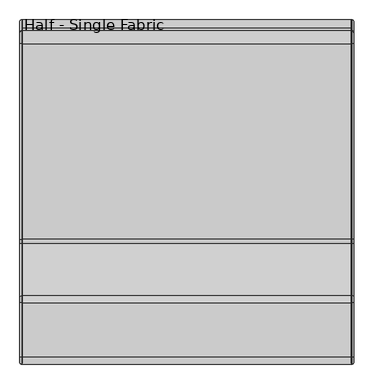
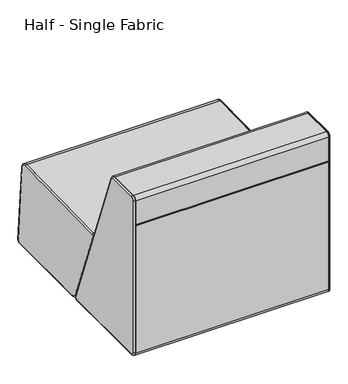
"""IFC4 building model written with IfcOpenShell, lengths in millimetres: furniture geometry, Half - Single Fabric."""

from ifc_helpers import new_model, si_unit, point, frame, frame_2d, origin, place, context, project, spatial, polyline, circle_curve, ellipse_curve, trimmed, segment, composite_curve, outline, extrude, source, transform, mapped, element, save
from ifc_brep_helpers import plane_surface, cylinder_surface, revolved_surface, advanced_brep


def half_single_fabric_5b045e94(model_context):
    return source(origin(), model_context, "Body", "SolidModel", [
        advanced_brep(
        [(839.1510266, 314.9526545, 414.2158586), (837.9447146, 314.9526545, 414.2158586), (837.9447146, 304.5197385, 398.7021703), (839.1510266, 304.5197385, 398.7021703), (844.2947146, 309.3234931, 400.5410474), (844.2947146, 315.0614252, 409.0733208), (839.1510266, 809.5215301, 424.6765705), (837.9447146, 809.5215301, 424.6765705), (844.2947146, 809.6303008, 419.5340326), (839.1510266, 841.8415436, 395.4689681), (837.9447146, 841.8415436, 395.4689681), (844.2947146, 836.7142807, 395.0582348), (839.1510266, 869.3709462, 51.8141192), (837.9447146, 869.3709462, 51.8141192), (844.2947146, 864.2436833, 51.4033859), (839.1510266, 856.7115006, 38.1), (837.9447146, 856.7115006, 38.1), (844.2947146, 856.7115006, 43.2436881), (839.1510266, 464.4011038, 38.1), (837.9447146, 464.4011038, 38.1), (844.2947146, 464.4011038, 43.2436881), (839.1510266, 434.7493822, 58.4993215), (837.9447146, 434.7493822, 58.4993215), (844.2947146, 439.5531367, 60.3381987)],
        [
            (0, 1),
            (1, 2, circle_curve(frame((837.9447146, 315.1943583, 402.7884145), z_axis=(1.0, 0.0, 0.0), x_axis=(0.0, -0.933912493810332, -0.35750168377920466)), 11.43)),
            (2, 3),
            (3, 0, circle_curve(frame((839.1510266, 315.1943583, 402.7884145), z_axis=(-1.0, 0.0, 0.0), x_axis=(0.0, -0.933912493810332, -0.35750168377920466)), 11.43)),
            (3, 4, circle_curve(frame((839.1510266, 309.3234931, 400.5410474), z_axis=(0.0, -0.35750168377920477, 0.933912493810332), x_axis=(-1.0, 0.0, 0.0)), 5.1436881)),
            (4, 5, circle_curve(frame((844.2947146, 315.1943583, 402.7884145), z_axis=(-1.0, 0.0, 0.0), x_axis=(0.0, -0.933912493810332, -0.35750168377920466)), 6.2863119)),
            (5, 0, circle_curve(frame((839.1510266, 315.0614252, 409.0733208), z_axis=(0.0, -0.9997763889644171, -0.021146443418939453), x_axis=(-1.0, 0.0, 0.0)), 5.1436881)),
            (0, 6),
            (6, 7),
            (7, 1),
            (5, 8),
            (8, 6, circle_curve(frame((839.1510266, 809.6303008, 419.5340326), z_axis=(0.0, -0.9997763889644175, -0.02114644341893418), x_axis=(-1.0, 0.0, 0.0)), 5.1436881)),
            (6, 9, circle_curve(frame((839.1510266, 810.1929297, 392.9336702), z_axis=(-1.0, 0.0, 0.0), x_axis=(0.0, -0.02114644341893813, 0.9997763889644172)), 31.75)),
            (9, 10),
            (10, 7, circle_curve(frame((837.9447146, 810.1929297, 392.9336702), z_axis=(1.0, 0.0, 0.0), x_axis=(0.0, -0.02114644341893813, 0.9997763889644172)), 31.75)),
            (8, 11, circle_curve(frame((844.2947146, 810.1929297, 392.9336702), z_axis=(-1.0, 0.0, 0.0), x_axis=(0.0, -0.02114644341893813, 0.9997763889644172)), 26.6063119)),
            (11, 9, circle_curve(frame((839.1510266, 836.7142807, 395.0582348), z_axis=(0.0, -0.07985190397493747, 0.9968067382555044), x_axis=(-1.0, 0.0, 0.0)), 5.1436881)),
            (9, 12),
            (12, 13),
            (13, 10),
            (11, 14),
            (14, 12, circle_curve(frame((839.1510266, 864.2436833, 51.4033859), z_axis=(0.0, -0.07985190397492817, 0.9968067382555051), x_axis=(-1.0, 0.0, 0.0)), 5.1436881)),
            (12, 15, circle_curve(frame((839.1510266, 856.7115006, 50.8), z_axis=(-1.0, 0.0, 0.0), x_axis=(0.0, 0.9968067382555038, 0.07985190397494248)), 12.7)),
            (15, 16),
            (16, 13, circle_curve(frame((837.9447146, 856.7115006, 50.8), z_axis=(1.0, 0.0, 0.0), x_axis=(0.0, 0.9968067382555038, 0.07985190397494248)), 12.7)),
            (14, 17, circle_curve(frame((844.2947146, 856.7115006, 50.8), z_axis=(-1.0, 0.0, 0.0), x_axis=(0.0, 0.9968067382555038, 0.07985190397494248)), 7.5563119)),
            (17, 15, circle_curve(frame((839.1510266, 856.7115006, 43.2436881), z_axis=(0.0, 0.9999999999999999, 0.0), x_axis=(-1.0, 0.0, 0.0)), 5.1436881)),
            (15, 18),
            (18, 19),
            (19, 16),
            (17, 20),
            (20, 18, circle_curve(frame((839.1510266, 464.4011038, 43.2436881), z_axis=(0.0, 1.0, 0.0), x_axis=(-1.0, 0.0, 0.0)), 5.1436881)),
            (18, 21, circle_curve(frame((839.1510266, 464.4011038, 69.85), z_axis=(-1.0, 0.0, 0.0), x_axis=(0.0, 0.0, -1.0)), 31.75)),
            (21, 22),
            (22, 19, circle_curve(frame((837.9447146, 464.4011038, 69.85), z_axis=(1.0, 0.0, 0.0), x_axis=(0.0, 0.0, -1.0)), 31.75)),
            (20, 23, circle_curve(frame((844.2947146, 464.4011038, 69.85), z_axis=(-1.0, 0.0, 0.0), x_axis=(0.0, 0.0, -1.0)), 26.6063119)),
            (23, 21, circle_curve(frame((839.1510266, 439.5531367, 60.3381987), z_axis=(0.0, 0.35750168377919217, -0.9339124938103369), x_axis=(-1.0, 0.0, 0.0)), 5.1436881)),
            (22, 2),
            (21, 3),
            (23, 4),
        ],
        [
            cylinder_surface(frame((837.9447146, 315.1943583, 402.7884145), z_axis=(1.0, 0.0, 0.0), x_axis=(0.0, -0.933912493810332, -0.35750168377920466)), 11.43),
            revolved_surface(trimmed(ellipse_curve(frame((839.1510266, 309.3234931, 400.5410474), z_axis=(0.0, -0.35750168377920477, 0.933912493810332), x_axis=(-1.0, 0.0, 0.0)), 5.1436881, 5.1436881), [point((839.1510266, 304.5197385, 398.7021703))], [point((844.2947146, 309.3234931, 400.5410474))], True, "CARTESIAN"), (837.9447146, 315.1943583, 402.7884145), (1.0, 0.0, 0.0)),
            plane_surface(frame((837.9447146, 314.9526545, 414.2158586), z_axis=(0.0, -0.02114644341893413, 0.9997763889644173), x_axis=(0.0, 0.9997763889644173, 0.02114644341893413))),
            cylinder_surface(frame((839.1510266, 315.0614252, 409.0733208), z_axis=(0.0, -0.9997763889644175, -0.02114644341893418), x_axis=(-1.0, 0.0, 0.0)), 5.1436881),
            cylinder_surface(frame((837.9447146, 810.1929297, 392.9336702), z_axis=(1.0, 0.0, 0.0), x_axis=(0.0, -0.02114644341893813, 0.9997763889644172)), 31.75),
            revolved_surface(trimmed(ellipse_curve(frame((839.1510266, 809.6303008, 419.5340326), z_axis=(0.0, 0.9997763889644172, 0.021146443418938222), x_axis=(-1.0, 0.0, 0.0)), 5.1436881, 5.1436881), [point((839.1510266, 809.5215301, 424.6765705))], [point((844.2947146, 809.6303008, 419.5340326))], True, "CARTESIAN"), (837.9447146, 810.1929297, 392.9336702), (1.0, 0.0, 0.0)),
            plane_surface(frame((837.9447146, 841.8415436, 395.4689681), z_axis=(0.0, 0.996806738255505, 0.07985190397492804), x_axis=(0.0, 0.07985190397492804, -0.996806738255505))),
            cylinder_surface(frame((839.1510266, 836.7142807, 395.0582348), z_axis=(0.0, -0.07985190397492817, 0.9968067382555051), x_axis=(-1.0, 0.0, 0.0)), 5.1436881),
            cylinder_surface(frame((837.9447146, 856.7115006, 50.8), z_axis=(1.0, 0.0, 0.0), x_axis=(0.0, 0.9968067382555038, 0.07985190397494248)), 12.7),
            revolved_surface(trimmed(ellipse_curve(frame((839.1510266, 864.2436833, 51.4033859), z_axis=(0.0, 0.07985190397494259, -0.9968067382555038), x_axis=(-1.0, 0.0, 0.0)), 5.1436881, 5.1436881), [point((839.1510266, 869.3709462, 51.8141192))], [point((844.2947146, 864.2436833, 51.4033859))], True, "CARTESIAN"), (837.9447146, 856.7115006, 50.8), (1.0, 0.0, 0.0)),
            plane_surface(frame((837.9447146, 856.7115006, 38.1), z_axis=(0.0, 0.0, -1.0), x_axis=(0.0, -1.0, 0.0))),
            cylinder_surface(frame((839.1510266, 856.7115006, 43.2436881), z_axis=(0.0, 1.0, 0.0), x_axis=(-1.0, 0.0, 0.0)), 5.1436881),
            cylinder_surface(frame((837.9447146, 464.4011038, 69.85), z_axis=(1.0, 0.0, 0.0), x_axis=(0.0, 0.0, -1.0)), 31.75),
            revolved_surface(trimmed(ellipse_curve(frame((839.1510266, 464.4011038, 43.2436881), z_axis=(0.0, -1.0, 0.0), x_axis=(-1.0, 0.0, 0.0)), 5.1436881, 5.1436881), [point((839.1510266, 464.4011038, 38.1))], [point((844.2947146, 464.4011038, 43.2436881))], True, "CARTESIAN"), (837.9447146, 464.4011038, 69.85), (1.0, 0.0, 0.0)),
            plane_surface(frame((837.9447146, 440.6797265, 60.7694572), z_axis=(-1.0, 0.0, 0.0), x_axis=(0.0, -0.3575016837791921, 0.9339124938103369))),
            plane_surface(frame((837.9447146, 434.7493822, 58.4993215), z_axis=(0.0, -0.9339124938103369, -0.3575016837791922), x_axis=(0.0, -0.3575016837791922, 0.9339124938103369))),
            cylinder_surface(frame((839.1510266, 439.5531367, 60.3381987), z_axis=(0.0, 0.3575016837791923, -0.9339124938103369), x_axis=(-1.0, 0.0, 0.0)), 5.1436881),
            plane_surface(frame((844.2947146, 439.5531367, 60.3381987), z_axis=(1.0, 0.0, 0.0), x_axis=(0.0, -0.3575016837791921, 0.9339124938103369))),
        ],
        [
            (0, [[1, 2, 3, 4]]),
            (1, [[5, 6, 7, -4]]),
            (2, [[8, 9, 10, -1]]),
            (3, [[11, 12, -8, -7]]),
            (4, [[13, 14, 15, -9]]),
            (5, [[16, 17, -13, -12]]),
            (6, [[18, 19, 20, -14]]),
            (7, [[21, 22, -18, -17]]),
            (8, [[23, 24, 25, -19]]),
            (9, [[26, 27, -23, -22]]),
            (10, [[28, 29, 30, -24]]),
            (11, [[31, 32, -28, -27]]),
            (12, [[33, 34, 35, -29]]),
            (13, [[36, 37, -33, -32]]),
            (14, [[-10, -15, -20, -25, -30, -35, 38, -2]]),
            (15, [[-38, -34, 39, -3]]),
            (16, [[-39, -37, 40, -5]]),
            (17, [[-40, -36, -31, -26, -21, -16, -11, -6]]),
        ],
    ),
        advanced_brep(
        [(839.1510266, 17.018, 765.683), (837.9447146, 17.018, 765.683), (837.9447146, 0.0, 748.665), (839.1510266, 0.0, 748.665), (844.2947146, 5.1436881, 748.665), (844.2947146, 17.018, 760.5393119), (839.1510266, 155.2745791, 765.683), (837.9447146, 155.2745791, 765.683), (844.2947146, 155.2745791, 760.5393119), (839.1510266, 173.0792475, 753.4076796), (837.9447146, 173.0792475, 753.4076796), (844.2947146, 168.2718112, 751.5784492), (839.1510266, 438.7030878, 55.3164531), (837.9447146, 438.7030878, 55.3164531), (844.2947146, 433.8956515, 53.4872227), (839.1510266, 426.8333088, 38.1), (837.9447146, 426.8333088, 38.1), (844.2947146, 426.8333088, 43.2436881), (839.1510266, 19.05, 38.1), (837.9447146, 19.05, 38.1), (844.2947146, 19.05, 43.2436881), (839.1510266, 0.0, 57.15), (837.9447146, 0.0, 57.15), (844.2947146, 5.1436881, 57.15)],
        [
            (0, 1),
            (1, 2, circle_curve(frame((837.9447146, 17.018, 748.665), z_axis=(1.0, 0.0, 0.0), x_axis=(0.0, -1.0, 0.0)), 17.018)),
            (2, 3),
            (3, 0, circle_curve(frame((839.1510266, 17.018, 748.665), z_axis=(-1.0, 0.0, 0.0), x_axis=(0.0, -1.0, 0.0)), 17.018)),
            (3, 4, circle_curve(frame((839.1510266, 5.1436881, 748.665), z_axis=(0.0, 0.0, 1.0), x_axis=(-1.0, 0.0, 0.0)), 5.1436881)),
            (4, 5, circle_curve(frame((844.2947146, 17.018, 748.665), z_axis=(-1.0, 0.0, 0.0), x_axis=(0.0, -1.0, 0.0)), 11.8743119)),
            (5, 0, circle_curve(frame((839.1510266, 17.018, 760.5393119), z_axis=(0.0, -1.0, 0.0), x_axis=(-1.0, 0.0, 0.0)), 5.1436881)),
            (0, 6),
            (6, 7),
            (7, 1),
            (5, 8),
            (8, 6, circle_curve(frame((839.1510266, 155.2745791, 760.5393119), z_axis=(0.0, -1.0, 0.0), x_axis=(-1.0, 0.0, 0.0)), 5.1436881)),
            (6, 9, circle_curve(frame((839.1510266, 155.2745791, 746.633), z_axis=(-1.0, 0.0, 0.0), x_axis=(0.0, 0.0, 1.0)), 19.05)),
            (9, 10),
            (10, 7, circle_curve(frame((837.9447146, 155.2745791, 746.633), z_axis=(1.0, 0.0, 0.0), x_axis=(0.0, 0.0, 1.0)), 19.05)),
            (8, 11, circle_curve(frame((844.2947146, 155.2745791, 746.633), z_axis=(-1.0, 0.0, 0.0), x_axis=(0.0, 0.0, 1.0)), 13.9063119)),
            (11, 9, circle_curve(frame((839.1510266, 168.2718112, 751.5784492), z_axis=(0.0, -0.355626225753316, 0.9346282616936273), x_axis=(-1.0, 0.0, 0.0)), 5.1436881)),
            (9, 12),
            (12, 13),
            (13, 10),
            (11, 14),
            (14, 12, circle_curve(frame((839.1510266, 433.8956515, 53.4872227), z_axis=(0.0, -0.3556262257533026, 0.9346282616936324), x_axis=(-1.0, 0.0, 0.0)), 5.1436881)),
            (12, 15, circle_curve(frame((839.1510266, 426.8333088, 50.8), z_axis=(-1.0, 0.0, 0.0), x_axis=(0.0, 0.9346282616936246, 0.35562622575332314)), 12.7)),
            (15, 16),
            (16, 13, circle_curve(frame((837.9447146, 426.8333088, 50.8), z_axis=(1.0, 0.0, 0.0), x_axis=(0.0, 0.9346282616936246, 0.35562622575332314)), 12.7)),
            (14, 17, circle_curve(frame((844.2947146, 426.8333088, 50.8), z_axis=(-1.0, 0.0, 0.0), x_axis=(0.0, 0.9346282616936246, 0.35562622575332314)), 7.5563119)),
            (17, 15, circle_curve(frame((839.1510266, 426.8333088, 43.2436881), z_axis=(0.0, 0.9999999999999999, 0.0), x_axis=(-1.0, 0.0, 0.0)), 5.1436881)),
            (15, 18),
            (18, 19),
            (19, 16),
            (17, 20),
            (20, 18, circle_curve(frame((839.1510266, 19.05, 43.2436881), z_axis=(0.0, 1.0, 0.0), x_axis=(-1.0, 0.0, 0.0)), 5.1436881)),
            (18, 21, circle_curve(frame((839.1510266, 19.05, 57.15), z_axis=(-1.0, 0.0, 0.0), x_axis=(0.0, 0.0, -1.0)), 19.05)),
            (21, 22),
            (22, 19, circle_curve(frame((837.9447146, 19.05, 57.15), z_axis=(1.0, 0.0, 0.0), x_axis=(0.0, 0.0, -1.0)), 19.05)),
            (20, 23, circle_curve(frame((844.2947146, 19.05, 57.15), z_axis=(-1.0, 0.0, 0.0), x_axis=(0.0, 0.0, -1.0)), 13.9063119)),
            (23, 21, circle_curve(frame((839.1510266, 5.1436881, 57.15), z_axis=(0.0, 0.0, -1.0), x_axis=(-1.0, 0.0, 0.0)), 5.1436881)),
            (22, 2),
            (21, 3),
            (23, 4),
        ],
        [
            cylinder_surface(frame((837.9447146, 17.018, 748.665), z_axis=(1.0, 0.0, 0.0), x_axis=(0.0, -1.0, 0.0)), 17.018),
            revolved_surface(trimmed(ellipse_curve(frame((839.1510266, 5.1436881, 748.665), z_axis=(0.0, 0.0, 1.0), x_axis=(-1.0, 0.0, 0.0)), 5.1436881, 5.1436881), [point((839.1510266, 0.0, 748.665))], [point((844.2947146, 5.1436881, 748.665))], True, "CARTESIAN"), (837.9447146, 17.018, 748.665), (1.0, 0.0, 0.0)),
            plane_surface(frame((837.9447146, 17.018, 765.683), z_axis=(0.0, 0.0, 1.0), x_axis=(0.0, 1.0, 0.0))),
            cylinder_surface(frame((839.1510266, 17.018, 760.5393119), z_axis=(0.0, -1.0, 0.0), x_axis=(-1.0, 0.0, 0.0)), 5.1436881),
            cylinder_surface(frame((837.9447146, 155.2745791, 746.633), z_axis=(1.0, 0.0, 0.0), x_axis=(0.0, 0.0, 1.0)), 19.05),
            revolved_surface(trimmed(ellipse_curve(frame((839.1510266, 155.2745791, 760.5393119), z_axis=(0.0, 1.0, 0.0), x_axis=(-1.0, 0.0, 0.0)), 5.1436881, 5.1436881), [point((839.1510266, 155.2745791, 765.683))], [point((844.2947146, 155.2745791, 760.5393119))], True, "CARTESIAN"), (837.9447146, 155.2745791, 746.633), (1.0, 0.0, 0.0)),
            plane_surface(frame((837.9447146, 173.0792475, 753.4076796), z_axis=(0.0, 0.9346282616936324, 0.3556262257533027), x_axis=(0.0, 0.3556262257533027, -0.9346282616936324))),
            cylinder_surface(frame((839.1510266, 168.2718112, 751.5784492), z_axis=(0.0, -0.3556262257533026, 0.9346282616936324), x_axis=(-1.0, 0.0, 0.0)), 5.1436881),
            cylinder_surface(frame((837.9447146, 426.8333088, 50.8), z_axis=(1.0, 0.0, 0.0), x_axis=(0.0, 0.9346282616936246, 0.35562622575332314)), 12.7),
            revolved_surface(trimmed(ellipse_curve(frame((839.1510266, 433.8956515, 53.4872227), z_axis=(0.0, 0.35562622575332276, -0.9346282616936247), x_axis=(-1.0, 0.0, 0.0)), 5.1436881, 5.1436881), [point((839.1510266, 438.7030878, 55.3164531))], [point((844.2947146, 433.8956515, 53.4872227))], True, "CARTESIAN"), (837.9447146, 426.8333088, 50.8), (1.0, 0.0, 0.0)),
            plane_surface(frame((837.9447146, 426.8333088, 38.1), z_axis=(0.0, 0.0, -1.0), x_axis=(0.0, -1.0, 0.0))),
            cylinder_surface(frame((839.1510266, 426.8333088, 43.2436881), z_axis=(0.0, 1.0, 0.0), x_axis=(-1.0, 0.0, 0.0)), 5.1436881),
            cylinder_surface(frame((837.9447146, 19.05, 57.15), z_axis=(1.0, 0.0, 0.0), x_axis=(0.0, 0.0, -1.0)), 19.05),
            revolved_surface(trimmed(ellipse_curve(frame((839.1510266, 19.05, 43.2436881), z_axis=(0.0, -1.0, 0.0), x_axis=(-1.0, 0.0, 0.0)), 5.1436881, 5.1436881), [point((839.1510266, 19.05, 38.1))], [point((844.2947146, 19.05, 43.2436881))], True, "CARTESIAN"), (837.9447146, 19.05, 57.15), (1.0, 0.0, 0.0)),
            plane_surface(frame((837.9447146, 6.35, 57.15), z_axis=(-1.0, 0.0, 0.0), x_axis=(0.0, 0.0, 1.0))),
            plane_surface(frame((837.9447146, 0.0, 57.15), z_axis=(0.0, -1.0, 0.0), x_axis=(0.0, 0.0, 1.0))),
            cylinder_surface(frame((839.1510266, 5.1436881, 57.15), z_axis=(0.0, 0.0, -1.0), x_axis=(-1.0, 0.0, 0.0)), 5.1436881),
            plane_surface(frame((844.2947146, 5.1436881, 57.15), z_axis=(1.0, 0.0, 0.0), x_axis=(0.0, 0.0, 1.0))),
        ],
        [
            (0, [[1, 2, 3, 4]]),
            (1, [[5, 6, 7, -4]]),
            (2, [[8, 9, 10, -1]]),
            (3, [[11, 12, -8, -7]]),
            (4, [[13, 14, 15, -9]]),
            (5, [[16, 17, -13, -12]]),
            (6, [[18, 19, 20, -14]]),
            (7, [[21, 22, -18, -17]]),
            (8, [[23, 24, 25, -19]]),
            (9, [[26, 27, -23, -22]]),
            (10, [[28, 29, 30, -24]]),
            (11, [[31, 32, -28, -27]]),
            (12, [[33, 34, 35, -29]]),
            (13, [[36, 37, -33, -32]]),
            (14, [[-10, -15, -20, -25, -30, -35, 38, -2]]),
            (15, [[-38, -34, 39, -3]]),
            (16, [[-39, -37, 40, -5]]),
            (17, [[-40, -36, -31, -26, -21, -16, -11, -6]]),
        ],
    ),
        advanced_brep(
        [(-0.254, 309.3234931, 400.5410474), (-0.254, 315.0614252, 409.0733208), (-0.254, 809.6303008, 419.5340326), (-0.254, 836.7142807, 395.0582348), (-0.254, 864.2436833, 51.4033859), (-0.254, 856.7115006, 43.2436881), (-0.254, 464.4011038, 43.2436881), (-0.254, 439.5531367, 60.3381987), (6.096, 434.7493822, 58.4993215), (6.096, 464.4011038, 38.1), (6.096, 856.7115006, 38.1), (6.096, 869.3709462, 51.8141192), (6.096, 841.8415436, 395.4689681), (6.096, 809.5215301, 424.6765705), (6.096, 314.9526545, 414.2158586), (6.096, 304.5197385, 398.7021703), (4.8896881, 434.7493822, 58.4993215), (4.8896881, 304.5197385, 398.7021703), (4.8896881, 314.9526545, 414.2158586), (4.8896881, 809.5215301, 424.6765705), (4.8896881, 856.7115006, 38.1), (4.8896881, 464.4011038, 38.1), (4.8896881, 841.8415436, 395.4689681), (4.8896881, 869.3709462, 51.8141192)],
        [
            (0, 1, circle_curve(frame((-0.254, 315.1943583, 402.7884145), z_axis=(-1.0, 0.0, 0.0), x_axis=(0.0, -0.933912493810332, -0.35750168377920466)), 6.2863119)),
            (1, 2),
            (2, 3, circle_curve(frame((-0.254, 810.1929297, 392.9336702), z_axis=(-1.0, 0.0, 0.0), x_axis=(0.0, -0.02114644341893813, 0.9997763889644172)), 26.6063119)),
            (3, 4),
            (4, 5, circle_curve(frame((-0.254, 856.7115006, 50.8), z_axis=(-1.0, 0.0, 0.0), x_axis=(0.0, 0.9968067382555047, 0.07985190397493185)), 7.5563119)),
            (5, 6),
            (6, 7, circle_curve(frame((-0.254, 464.4011038, 69.85), z_axis=(-1.0, 0.0, 0.0), x_axis=(0.0, 0.0, -1.0)), 26.6063119)),
            (7, 0),
            (8, 9, circle_curve(frame((6.096, 464.4011038, 69.85), z_axis=(1.0, 0.0, 0.0), x_axis=(0.0, 0.0, -1.0)), 31.75)),
            (9, 10),
            (10, 11, circle_curve(frame((6.096, 856.7115006, 50.8), z_axis=(1.0, 0.0, 0.0), x_axis=(0.0, 0.9968067382555047, 0.07985190397493185)), 12.7)),
            (11, 12),
            (12, 13, circle_curve(frame((6.096, 810.1929297, 392.9336702), z_axis=(1.0, 0.0, 0.0), x_axis=(0.0, -0.02114644341893813, 0.9997763889644172)), 31.75)),
            (13, 14),
            (14, 15, circle_curve(frame((6.096, 315.1943583, 402.7884145), z_axis=(1.0, 0.0, 0.0), x_axis=(0.0, -0.933912493810332, -0.35750168377920466)), 11.43)),
            (15, 8),
            (16, 17),
            (17, 0, circle_curve(frame((4.8896881, 309.3234931, 400.5410474), z_axis=(0.0, 0.3575016837791923, -0.9339124938103369), x_axis=(1.0, 0.0, 0.0)), 5.1436881)),
            (7, 16, circle_curve(frame((4.8896881, 439.5531367, 60.3381987), z_axis=(0.0, -0.3575016837791923, 0.9339124938103369), x_axis=(1.0, 0.0, 0.0)), 5.1436881)),
            (16, 8),
            (15, 17),
            (18, 19),
            (19, 2, circle_curve(frame((4.8896881, 809.6303008, 419.5340326), z_axis=(0.0, -0.9997763889644173, -0.02114644341893418), x_axis=(1.0, 0.0, 0.0)), 5.1436881)),
            (1, 18, circle_curve(frame((4.8896881, 315.0614252, 409.0733208), z_axis=(0.0, 0.9997763889644173, 0.02114644341893418), x_axis=(1.0, 0.0, 0.0)), 5.1436881)),
            (18, 14),
            (13, 19),
            (20, 21),
            (21, 6, circle_curve(frame((4.8896881, 464.4011038, 43.2436881), z_axis=(0.0, 1.0, 0.0), x_axis=(1.0, 0.0, 0.0)), 5.1436881)),
            (5, 20, circle_curve(frame((4.8896881, 856.7115006, 43.2436881), z_axis=(0.0, -1.0, 0.0), x_axis=(1.0, 0.0, 0.0)), 5.1436881)),
            (20, 10),
            (9, 21),
            (21, 16, circle_curve(frame((4.8896881, 464.4011038, 69.85), z_axis=(-1.0, 0.0, 0.0), x_axis=(0.0, 0.0, -1.0)), 31.75)),
            (17, 18, circle_curve(frame((4.8896881, 315.1943583, 402.7884145), z_axis=(-1.0, 0.0, 0.0), x_axis=(0.0, -0.933912493810332, -0.35750168377920466)), 11.43)),
            (19, 22, circle_curve(frame((4.8896881, 810.1929297, 392.9336702), z_axis=(-1.0, 0.0, 0.0), x_axis=(0.0, -0.02114644341893813, 0.9997763889644172)), 31.75)),
            (22, 3, circle_curve(frame((4.8896881, 836.7142807, 395.0582348), z_axis=(0.0, -0.07985190397493747, 0.9968067382555044), x_axis=(1.0, 0.0, 0.0)), 5.1436881)),
            (12, 22),
            (22, 23),
            (23, 4, circle_curve(frame((4.8896881, 864.2436833, 51.4033859), z_axis=(0.0, -0.07985190397492815, 0.996806738255505), x_axis=(1.0, 0.0, 0.0)), 5.1436881)),
            (11, 23),
            (23, 20, circle_curve(frame((4.8896881, 856.7115006, 50.8), z_axis=(-1.0, 0.0, 0.0), x_axis=(0.0, 0.9968067382555047, 0.07985190397493185)), 12.7)),
        ],
        [
            plane_surface(frame((-0.254, 315.0869344, 407.8672786), z_axis=(-1.0, 0.0, 0.0), x_axis=(0.0, -0.9997763889644173, -0.021146443418933708))),
            plane_surface(frame((6.096, 315.0869344, 407.8672786), z_axis=(1.0, 0.0, 0.0), x_axis=(0.0, 0.9997763889644173, 0.021146443418933708))),
            cylinder_surface(frame((4.8896881, 439.5531367, 60.3381987), z_axis=(0.0, 0.3575016837791923, -0.9339124938103369), x_axis=(1.0, 0.0, 0.0)), 5.1436881),
            plane_surface(frame((4.8896881, 434.7493822, 58.4993215), z_axis=(0.0, -0.9339124938103369, -0.3575016837791922), x_axis=(0.0, -0.3575016837791922, 0.9339124938103369))),
            cylinder_surface(frame((4.8896881, 315.0614252, 409.0733208), z_axis=(0.0, -0.9997763889644173, -0.02114644341893418), x_axis=(1.0, 0.0, 0.0)), 5.1436881),
            plane_surface(frame((4.8896881, 314.9526545, 414.2158586), z_axis=(0.0, -0.02114644341893413, 0.9997763889644173), x_axis=(0.0, 0.9997763889644173, 0.02114644341893413))),
            cylinder_surface(frame((4.8896881, 856.7115006, 43.2436881), z_axis=(0.0, 1.0, 0.0), x_axis=(1.0, 0.0, 0.0)), 5.1436881),
            plane_surface(frame((4.8896881, 856.7115006, 38.1), z_axis=(0.0, 0.0, -1.0), x_axis=(0.0, -1.0, 0.0))),
            revolved_surface(trimmed(ellipse_curve(frame((4.8896881, 464.4011038, 43.2436881), z_axis=(0.0, -1.0, 0.0), x_axis=(1.0, 0.0, 0.0)), 5.1436881, 5.1436881), [point((-0.254, 464.4011038, 43.2436881))], [point((4.8896881, 464.4011038, 38.1))], True, "CARTESIAN"), (-0.254, 464.4011038, 69.85), (1.0, 0.0, 0.0)),
            cylinder_surface(frame((-0.254, 464.4011038, 69.85), z_axis=(1.0, 0.0, 0.0), x_axis=(0.0, 0.0, -1.0)), 31.75),
            revolved_surface(trimmed(ellipse_curve(frame((4.8896881, 309.3234931, 400.5410474), z_axis=(0.0, -0.35750168377920477, 0.933912493810332), x_axis=(1.0, 0.0, 0.0)), 5.1436881, 5.1436881), [point((-0.254, 309.3234931, 400.5410474))], [point((4.8896881, 304.5197385, 398.7021703))], True, "CARTESIAN"), (-0.254, 315.1943583, 402.7884145), (1.0, 0.0, 0.0)),
            cylinder_surface(frame((-0.254, 315.1943583, 402.7884145), z_axis=(1.0, 0.0, 0.0), x_axis=(0.0, -0.933912493810332, -0.35750168377920466)), 11.43),
            revolved_surface(trimmed(ellipse_curve(frame((4.8896881, 809.6303008, 419.5340326), z_axis=(0.0, 0.9997763889644172, 0.021146443418938222), x_axis=(1.0, 0.0, 0.0)), 5.1436881, 5.1436881), [point((-0.254, 809.6303008, 419.5340326))], [point((4.8896881, 809.5215301, 424.6765705))], True, "CARTESIAN"), (-0.254, 810.1929297, 392.9336702), (1.0, 0.0, 0.0)),
            cylinder_surface(frame((-0.254, 810.1929297, 392.9336702), z_axis=(1.0, 0.0, 0.0), x_axis=(0.0, -0.02114644341893813, 0.9997763889644172)), 31.75),
            cylinder_surface(frame((4.8896881, 836.7142807, 395.0582348), z_axis=(0.0, -0.07985190397492815, 0.996806738255505), x_axis=(1.0, 0.0, 0.0)), 5.1436881),
            plane_surface(frame((4.8896881, 841.8415436, 395.4689681), z_axis=(0.0, 0.9968067382555051, 0.07985190397492803), x_axis=(0.0, 0.07985190397492803, -0.9968067382555051))),
            revolved_surface(trimmed(ellipse_curve(frame((4.8896881, 864.2436833, 51.4033859), z_axis=(0.0, 0.07985190397493194, -0.9968067382555047), x_axis=(1.0, 0.0, 0.0)), 5.1436881, 5.1436881), [point((-0.254, 864.2436833, 51.4033859))], [point((4.8896881, 869.3709462, 51.8141192))], True, "CARTESIAN"), (-0.254, 856.7115006, 50.8), (1.0, 0.0, 0.0)),
            cylinder_surface(frame((-0.254, 856.7115006, 50.8), z_axis=(1.0, 0.0, 0.0), x_axis=(0.0, 0.9968067382555047, 0.07985190397493185)), 12.7),
        ],
        [
            (0, [[1, 2, 3, 4, 5, 6, 7, 8]]),
            (1, [[9, 10, 11, 12, 13, 14, 15, 16]]),
            (2, [[17, 18, -8, 19]]),
            (3, [[20, -16, 21, -17]]),
            (4, [[22, 23, -2, 24]]),
            (5, [[25, -14, 26, -22]]),
            (6, [[27, 28, -6, 29]]),
            (7, [[30, -10, 31, -27]]),
            (8, [[-7, -28, 32, -19]]),
            (9, [[-32, -31, -9, -20]]),
            (10, [[33, -24, -1, -18]]),
            (11, [[-15, -25, -33, -21]]),
            (12, [[34, 35, -3, -23]]),
            (13, [[-13, 36, -34, -26]]),
            (14, [[37, 38, -4, -35]]),
            (15, [[-12, 39, -37, -36]]),
            (16, [[-5, -38, 40, -29]]),
            (17, [[-40, -39, -11, -30]]),
        ],
    ),
        advanced_brep(
        [(4.8896881, 173.0792475, 753.4076796), (4.8896881, 438.7030878, 55.3164531), (-0.254, 433.8956515, 53.4872227), (-0.254, 168.2718112, 751.5784492), (6.096, 173.0792475, 753.4076796), (6.096, 438.7030878, 55.3164531), (4.8896881, 426.8333088, 38.1), (4.8896881, 19.05, 38.1), (-0.254, 19.05, 43.2436881), (-0.254, 426.8333088, 43.2436881), (6.096, 426.8333088, 38.1), (6.096, 19.05, 38.1), (4.8896881, 0.0, 57.15), (-0.254, 5.1436881, 57.15), (6.096, 0.0, 57.15), (4.8896881, 0.0, 748.665), (-0.254, 5.1436881, 748.665), (6.096, 0.0, 748.665), (4.8896881, 17.018, 765.683), (-0.254, 17.018, 760.5393119), (6.096, 17.018, 765.683), (4.8896881, 155.2745791, 765.683), (-0.254, 155.2745791, 760.5393119), (6.096, 155.2745791, 765.683)],
        [
            (0, 1),
            (1, 2, circle_curve(frame((4.8896881, 433.8956515, 53.4872227), z_axis=(0.0, -0.3556262257533027, 0.9346282616936323), x_axis=(1.0, 0.0, 0.0)), 5.1436881)),
            (2, 3),
            (3, 0, circle_curve(frame((4.8896881, 168.2718112, 751.5784492), z_axis=(0.0, 0.3556262257533027, -0.9346282616936323), x_axis=(1.0, 0.0, 0.0)), 5.1436881)),
            (0, 4),
            (4, 5),
            (5, 1),
            (6, 7),
            (7, 8, circle_curve(frame((4.8896881, 19.05, 43.2436881), z_axis=(0.0, 1.0, 0.0), x_axis=(1.0, 0.0, 0.0)), 5.1436881)),
            (8, 9),
            (9, 6, circle_curve(frame((4.8896881, 426.8333088, 43.2436881), z_axis=(0.0, -1.0, 0.0), x_axis=(1.0, 0.0, 0.0)), 5.1436881)),
            (6, 10),
            (10, 11),
            (11, 7),
            (7, 12, circle_curve(frame((4.8896881, 19.05, 57.15), z_axis=(-1.0, 0.0, 0.0), x_axis=(0.0, 0.0, -1.0)), 19.05)),
            (12, 13, circle_curve(frame((4.8896881, 5.1436881, 57.15), z_axis=(0.0, 0.0, -1.0), x_axis=(1.0, 0.0, 0.0)), 5.1436881)),
            (13, 8, circle_curve(frame((-0.254, 19.05, 57.15), z_axis=(1.0, 0.0, 0.0), x_axis=(0.0, 0.0, -1.0)), 13.9063119)),
            (11, 14, circle_curve(frame((6.096, 19.05, 57.15), z_axis=(-1.0, 0.0, 0.0), x_axis=(0.0, 0.0, -1.0)), 19.05)),
            (14, 12),
            (12, 15),
            (15, 16, circle_curve(frame((4.8896881, 5.1436881, 748.665), z_axis=(0.0, 0.0, -1.0), x_axis=(1.0, 0.0, 0.0)), 5.1436881)),
            (16, 13),
            (14, 17),
            (17, 15),
            (15, 18, circle_curve(frame((4.8896881, 17.018, 748.665), z_axis=(-1.0, 0.0, 0.0), x_axis=(0.0, -1.0, 0.0)), 17.018)),
            (18, 19, circle_curve(frame((4.8896881, 17.018, 760.5393119), z_axis=(0.0, -1.0, 0.0), x_axis=(1.0, 0.0, 0.0)), 5.1436881)),
            (19, 16, circle_curve(frame((-0.254, 17.018, 748.665), z_axis=(1.0, 0.0, 0.0), x_axis=(0.0, -1.0, 0.0)), 11.8743119)),
            (17, 20, circle_curve(frame((6.096, 17.018, 748.665), z_axis=(-1.0, 0.0, 0.0), x_axis=(0.0, -1.0, 0.0)), 17.018)),
            (20, 18),
            (18, 21),
            (21, 22, circle_curve(frame((4.8896881, 155.2745791, 760.5393119), z_axis=(0.0, -1.0, 0.0), x_axis=(1.0, 0.0, 0.0)), 5.1436881)),
            (22, 19),
            (20, 23),
            (23, 21),
            (3, 22, circle_curve(frame((-0.254, 155.2745791, 746.633), z_axis=(1.0, 0.0, 0.0), x_axis=(0.0, 0.0, 1.0)), 13.9063119)),
            (21, 0, circle_curve(frame((4.8896881, 155.2745791, 746.633), z_axis=(-1.0, 0.0, 0.0), x_axis=(0.0, 0.0, 1.0)), 19.05)),
            (23, 4, circle_curve(frame((6.096, 155.2745791, 746.633), z_axis=(-1.0, 0.0, 0.0), x_axis=(0.0, 0.0, 1.0)), 19.05)),
            (2, 9, circle_curve(frame((-0.254, 426.8333088, 50.8), z_axis=(-1.0, 0.0, 0.0), x_axis=(0.0, 0.9346282616936317, 0.35562622575330444)), 7.5563119)),
            (1, 6, circle_curve(frame((4.8896881, 426.8333088, 50.8), z_axis=(-1.0, 0.0, 0.0), x_axis=(0.0, 0.9346282616936317, 0.35562622575330444)), 12.7)),
            (5, 10, circle_curve(frame((6.096, 426.8333088, 50.8), z_axis=(-1.0, 0.0, 0.0), x_axis=(0.0, 0.9346282616936317, 0.35562622575330444)), 12.7)),
        ],
        [
            cylinder_surface(frame((4.8896881, 168.2718112, 751.5784492), z_axis=(0.0, -0.3556262257533027, 0.9346282616936323), x_axis=(1.0, 0.0, 0.0)), 5.1436881),
            plane_surface(frame((4.8896881, 173.0792475, 753.4076796), z_axis=(0.0, 0.9346282616936324, 0.35562622575330266), x_axis=(0.0, 0.35562622575330266, -0.9346282616936324))),
            cylinder_surface(frame((4.8896881, 426.8333088, 43.2436881), z_axis=(0.0, 1.0, 0.0), x_axis=(1.0, 0.0, 0.0)), 5.1436881),
            plane_surface(frame((4.8896881, 426.8333088, 38.1), z_axis=(0.0, 0.0, -1.0), x_axis=(0.0, -1.0, 0.0))),
            revolved_surface(trimmed(ellipse_curve(frame((4.8896881, 19.05, 43.2436881), z_axis=(0.0, -1.0, 0.0), x_axis=(1.0, 0.0, 0.0)), 5.1436881, 5.1436881), [point((-0.254, 19.05, 43.2436881))], [point((4.8896881, 19.05, 38.1))], True, "CARTESIAN"), (-0.254, 19.05, 57.15), (1.0, 0.0, 0.0)),
            cylinder_surface(frame((-0.254, 19.05, 57.15), z_axis=(1.0, 0.0, 0.0), x_axis=(0.0, 0.0, -1.0)), 19.05),
            cylinder_surface(frame((4.8896881, 5.1436881, 57.15), z_axis=(0.0, 0.0, -1.0), x_axis=(1.0, 0.0, 0.0)), 5.1436881),
            plane_surface(frame((4.8896881, 0.0, 57.15), z_axis=(0.0, -1.0, 0.0), x_axis=(0.0, 0.0, 1.0))),
            revolved_surface(trimmed(ellipse_curve(frame((4.8896881, 5.1436881, 748.665), z_axis=(0.0, 0.0, 1.0), x_axis=(1.0, 0.0, 0.0)), 5.1436881, 5.1436881), [point((-0.254, 5.1436881, 748.665))], [point((4.8896881, 0.0, 748.665))], True, "CARTESIAN"), (-0.254, 17.018, 748.665), (1.0, 0.0, 0.0)),
            cylinder_surface(frame((-0.254, 17.018, 748.665), z_axis=(1.0, 0.0, 0.0), x_axis=(0.0, -1.0, 0.0)), 17.018),
            cylinder_surface(frame((4.8896881, 17.018, 760.5393119), z_axis=(0.0, -1.0, 0.0), x_axis=(1.0, 0.0, 0.0)), 5.1436881),
            plane_surface(frame((4.8896881, 17.018, 765.683), z_axis=(0.0, 0.0, 1.0), x_axis=(0.0, 1.0, 0.0))),
            revolved_surface(trimmed(ellipse_curve(frame((4.8896881, 155.2745791, 760.5393119), z_axis=(0.0, 1.0, 0.0), x_axis=(1.0, 0.0, 0.0)), 5.1436881, 5.1436881), [point((-0.254, 155.2745791, 760.5393119))], [point((4.8896881, 155.2745791, 765.683))], True, "CARTESIAN"), (-0.254, 155.2745791, 746.633), (1.0, 0.0, 0.0)),
            cylinder_surface(frame((-0.254, 155.2745791, 746.633), z_axis=(1.0, 0.0, 0.0), x_axis=(0.0, 0.0, 1.0)), 19.05),
            plane_surface(frame((-0.254, 426.8333088, 50.8), z_axis=(-1.0, 0.0, 0.0), x_axis=(0.0, 0.9346282616936318, 0.3556262257533045))),
            revolved_surface(trimmed(ellipse_curve(frame((4.8896881, 433.8956515, 53.4872227), z_axis=(0.0, 0.35562622575330444, -0.9346282616936317), x_axis=(1.0, 0.0, 0.0)), 5.1436881, 5.1436881), [point((-0.254, 433.8956515, 53.4872227))], [point((4.8896881, 438.7030878, 55.3164531))], True, "CARTESIAN"), (-0.254, 426.8333088, 50.8), (1.0, 0.0, 0.0)),
            cylinder_surface(frame((-0.254, 426.8333088, 50.8), z_axis=(1.0, 0.0, 0.0), x_axis=(0.0, 0.9346282616936317, 0.35562622575330444)), 12.7),
            plane_surface(frame((6.096, 426.8333088, 50.8), z_axis=(1.0, 0.0, 0.0), x_axis=(0.0, 0.9346282616936318, 0.3556262257533045))),
        ],
        [
            (0, [[1, 2, 3, 4]]),
            (1, [[5, 6, 7, -1]]),
            (2, [[8, 9, 10, 11]]),
            (3, [[12, 13, 14, -8]]),
            (4, [[15, 16, 17, -9]]),
            (5, [[18, 19, -15, -14]]),
            (6, [[20, 21, 22, -16]]),
            (7, [[23, 24, -20, -19]]),
            (8, [[25, 26, 27, -21]]),
            (9, [[28, 29, -25, -24]]),
            (10, [[30, 31, 32, -26]]),
            (11, [[33, 34, -30, -29]]),
            (12, [[35, -31, 36, -4]]),
            (13, [[-36, -34, 37, -5]]),
            (14, [[38, -10, -17, -22, -27, -32, -35, -3]]),
            (15, [[39, -11, -38, -2]]),
            (16, [[40, -12, -39, -7]]),
            (17, [[-37, -33, -28, -23, -18, -13, -40, -6]]),
        ],
    ),
        advanced_brep(
        [(731.0078974, 756.8523536, 67.6126123), (731.0078974, 756.8523536, 43.0000401), (740.4451943, 756.8523536, 43.0000401), (740.4451943, 756.8523536, 67.6126123), (709.005941, 756.8523536, 43.0000401), (762.4471507, 756.8523536, 43.0000401), (711.6553086, 756.8523536, 21.422673), (759.7977832, 756.8523536, 21.422673), (718.7690456, 756.8523536, 0.0), (752.6840461, 756.8523536, 0.0), (735.7265459, 756.8523536, 0.0), (735.7265459, 756.8523536, 67.6126123)],
        [
            (0, 1),
            (1, 2, circle_curve(frame((735.7265459, 756.8523536, 43.0000401), z_axis=(0.0, 0.0, 1.0), x_axis=(1.0, 0.0, 0.0)), 4.7186484)),
            (2, 3),
            (3, 0, circle_curve(frame((735.7265459, 756.8523536, 67.6126123), z_axis=(0.0, 0.0, -1.0), x_axis=(1.0, 0.0, 0.0)), 4.7186484)),
            (2, 1, circle_curve(frame((735.7265459, 756.8523536, 43.0000401), z_axis=(0.0, 0.0, 1.0), x_axis=(1.0, 0.0, 0.0)), 4.7186484)),
            (0, 3, circle_curve(frame((735.7265459, 756.8523536, 67.6126123), z_axis=(0.0, 0.0, -1.0), x_axis=(1.0, 0.0, 0.0)), 4.7186484)),
            (1, 4),
            (4, 5, circle_curve(frame((735.7265459, 756.8523536, 43.0000401), z_axis=(0.0, 0.0, 1.0), x_axis=(1.0, 0.0, 0.0)), 26.7206048)),
            (5, 2),
            (5, 4, circle_curve(frame((735.7265459, 756.8523536, 43.0000401), z_axis=(0.0, 0.0, 1.0), x_axis=(1.0, 0.0, 0.0)), 26.7206048)),
            (4, 6),
            (6, 7, circle_curve(frame((735.7265459, 756.8523536, 21.422673), z_axis=(0.0, 0.0, 1.0), x_axis=(1.0, 0.0, 0.0)), 24.0712373)),
            (7, 5),
            (7, 6, circle_curve(frame((735.7265459, 756.8523536, 21.422673), z_axis=(0.0, 0.0, 1.0), x_axis=(1.0, 0.0, 0.0)), 24.0712373)),
            (6, 8),
            (8, 9, circle_curve(frame((735.7265459, 756.8523536, 0.0), z_axis=(0.0, 0.0, 1.0), x_axis=(1.0, 0.0, 0.0)), 16.9575003)),
            (9, 7),
            (9, 8, circle_curve(frame((735.7265459, 756.8523536, 0.0), z_axis=(0.0, 0.0, 1.0), x_axis=(1.0, 0.0, 0.0)), 16.9575003)),
            (8, 10),
            (10, 9),
            (11, 0),
            (3, 11),
        ],
        [
            cylinder_surface(frame((735.7265459, 756.8523536, 67.6126123), z_axis=(0.0, 0.0, 1.0), x_axis=(1.0, 0.0, 0.0)), 4.7186484),
            plane_surface(frame((735.7265459, 756.8523536, 43.0000401), z_axis=(0.0, 0.0, 1.0), x_axis=(1.0, 0.0, 0.0))),
            revolved_surface(polyline([(759.7977832, 756.8523536, 21.422673), (762.4471507, 756.8523536, 43.0000401)]), (735.7265459, 756.8523536, 67.6126123), (0.0, 0.0, 1.0)),
            revolved_surface(polyline([(752.6840461, 756.8523536, 0.0), (759.7977832, 756.8523536, 21.422673)]), (735.7265459, 756.8523536, 67.6126123), (0.0, 0.0, 1.0)),
            plane_surface(frame((735.7265459, 756.8523536, 0.0), z_axis=(0.0, 0.0, -1.0), x_axis=(1.0, 0.0, 0.0))),
            plane_surface(frame((735.7265459, 756.8523536, 67.6126123), z_axis=(0.0, 0.0, 1.0), x_axis=(1.0, 0.0, 0.0))),
        ],
        [
            (0, [[1, 2, 3, 4]]),
            (0, [[-3, 5, -1, 6]]),
            (1, [[7, 8, 9, -2]]),
            (1, [[-9, 10, -7, -5]]),
            (2, [[11, 12, 13, -8]]),
            (2, [[-13, 14, -11, -10]]),
            (3, [[15, 16, 17, -12]]),
            (3, [[-17, 18, -15, -14]]),
            (4, [[19, 20, -16]]),
            (4, [[-20, -19, -18]]),
            (5, [[21, -4, 22]]),
            (5, [[-22, -6, -21]]),
        ],
    ),
        advanced_brep(
        [(734.1828974, 115.2637734, 67.6126123), (734.1828974, 115.2637734, 43.0000401), (743.6201943, 115.2637734, 43.0000401), (743.6201943, 115.2637734, 67.6126123), (712.180941, 115.2637734, 43.0000401), (765.6221507, 115.2637734, 43.0000401), (714.8303086, 115.2637734, 21.422673), (762.9727832, 115.2637734, 21.422673), (721.9440456, 115.2637734, 0.0), (755.8590461, 115.2637734, 0.0), (738.9015459, 115.2637734, 0.0), (738.9015459, 115.2637734, 67.6126123)],
        [
            (0, 1),
            (1, 2, circle_curve(frame((738.9015459, 115.2637734, 43.0000401), z_axis=(0.0, 0.0, 1.0), x_axis=(1.0, 0.0, 0.0)), 4.7186484)),
            (2, 3),
            (3, 0, circle_curve(frame((738.9015459, 115.2637734, 67.6126123), z_axis=(0.0, 0.0, -1.0), x_axis=(1.0, 0.0, 0.0)), 4.7186484)),
            (2, 1, circle_curve(frame((738.9015459, 115.2637734, 43.0000401), z_axis=(0.0, 0.0, 1.0), x_axis=(1.0, 0.0, 0.0)), 4.7186484)),
            (0, 3, circle_curve(frame((738.9015459, 115.2637734, 67.6126123), z_axis=(0.0, 0.0, -1.0), x_axis=(1.0, 0.0, 0.0)), 4.7186484)),
            (1, 4),
            (4, 5, circle_curve(frame((738.9015459, 115.2637734, 43.0000401), z_axis=(0.0, 0.0, 1.0), x_axis=(1.0, 0.0, 0.0)), 26.7206048)),
            (5, 2),
            (5, 4, circle_curve(frame((738.9015459, 115.2637734, 43.0000401), z_axis=(0.0, 0.0, 1.0), x_axis=(1.0, 0.0, 0.0)), 26.7206048)),
            (4, 6),
            (6, 7, circle_curve(frame((738.9015459, 115.2637734, 21.422673), z_axis=(0.0, 0.0, 1.0), x_axis=(1.0, 0.0, 0.0)), 24.0712373)),
            (7, 5),
            (7, 6, circle_curve(frame((738.9015459, 115.2637734, 21.422673), z_axis=(0.0, 0.0, 1.0), x_axis=(1.0, 0.0, 0.0)), 24.0712373)),
            (6, 8),
            (8, 9, circle_curve(frame((738.9015459, 115.2637734, 0.0), z_axis=(0.0, 0.0, 1.0), x_axis=(1.0, 0.0, 0.0)), 16.9575003)),
            (9, 7),
            (9, 8, circle_curve(frame((738.9015459, 115.2637734, 0.0), z_axis=(0.0, 0.0, 1.0), x_axis=(1.0, 0.0, 0.0)), 16.9575003)),
            (8, 10),
            (10, 9),
            (11, 0),
            (3, 11),
        ],
        [
            cylinder_surface(frame((738.9015459, 115.2637734, 67.6126123), z_axis=(0.0, 0.0, 1.0), x_axis=(1.0, 0.0, 0.0)), 4.7186484),
            plane_surface(frame((738.9015459, 115.2637734, 43.0000401), z_axis=(0.0, 0.0, 1.0), x_axis=(1.0, 0.0, 0.0))),
            revolved_surface(polyline([(762.9727832, 115.2637734, 21.422673), (765.6221507, 115.2637734, 43.0000401)]), (738.9015459, 115.2637734, 67.6126123), (0.0, 0.0, 1.0)),
            revolved_surface(polyline([(755.8590461, 115.2637734, 0.0), (762.9727832, 115.2637734, 21.422673)]), (738.9015459, 115.2637734, 67.6126123), (0.0, 0.0, 1.0)),
            plane_surface(frame((738.9015459, 115.2637734, 0.0), z_axis=(0.0, 0.0, -1.0), x_axis=(1.0, 0.0, 0.0))),
            plane_surface(frame((738.9015459, 115.2637734, 67.6126123), z_axis=(0.0, 0.0, 1.0), x_axis=(1.0, 0.0, 0.0))),
        ],
        [
            (0, [[1, 2, 3, 4]]),
            (0, [[-3, 5, -1, 6]]),
            (1, [[7, 8, 9, -2]]),
            (1, [[-9, 10, -7, -5]]),
            (2, [[11, 12, 13, -8]]),
            (2, [[-13, 14, -11, -10]]),
            (3, [[15, 16, 17, -12]]),
            (3, [[-17, 18, -15, -14]]),
            (4, [[19, 20, -16]]),
            (4, [[-20, -19, -18]]),
            (5, [[21, -4, 22]]),
            (5, [[-22, -6, -21]]),
        ],
    ),
        advanced_brep(
        [(113.0328172, 756.8523536, 43.0000401), (113.0328172, 756.8523536, 67.6126123), (103.5955204, 756.8523536, 67.6126123), (103.5955204, 756.8523536, 43.0000401), (135.0347736, 756.8523536, 43.0000401), (81.5935639, 756.8523536, 43.0000401), (132.3854061, 756.8523536, 21.422673), (84.2429315, 756.8523536, 21.422673), (125.2716691, 756.8523536, 0.0), (91.3566685, 756.8523536, 0.0), (108.3141688, 756.8523536, 0.0), (108.3141688, 756.8523536, 67.6126123)],
        [
            (0, 1),
            (1, 2, circle_curve(frame((108.3141688, 756.8523536, 67.6126123), z_axis=(0.0, 0.0, -1.0), x_axis=(-1.0, 0.0, 0.0)), 4.7186484)),
            (2, 3),
            (3, 0, circle_curve(frame((108.3141688, 756.8523536, 43.0000401), z_axis=(0.0, 0.0, 1.0), x_axis=(-1.0, 0.0, 0.0)), 4.7186484)),
            (2, 1, circle_curve(frame((108.3141688, 756.8523536, 67.6126123), z_axis=(0.0, 0.0, -1.0), x_axis=(-1.0, 0.0, 0.0)), 4.7186484)),
            (0, 3, circle_curve(frame((108.3141688, 756.8523536, 43.0000401), z_axis=(0.0, 0.0, 1.0), x_axis=(-1.0, 0.0, 0.0)), 4.7186484)),
            (4, 0),
            (3, 5),
            (5, 4, circle_curve(frame((108.3141688, 756.8523536, 43.0000401), z_axis=(0.0, 0.0, 1.0), x_axis=(-1.0, 0.0, 0.0)), 26.7206048)),
            (4, 5, circle_curve(frame((108.3141688, 756.8523536, 43.0000401), z_axis=(0.0, 0.0, 1.0), x_axis=(-1.0, 0.0, 0.0)), 26.7206048)),
            (6, 4),
            (5, 7),
            (7, 6, circle_curve(frame((108.3141688, 756.8523536, 21.422673), z_axis=(0.0, 0.0, 1.0), x_axis=(-1.0, 0.0, 0.0)), 24.0712373)),
            (6, 7, circle_curve(frame((108.3141688, 756.8523536, 21.422673), z_axis=(0.0, 0.0, 1.0), x_axis=(-1.0, 0.0, 0.0)), 24.0712373)),
            (8, 6),
            (7, 9),
            (9, 8, circle_curve(frame((108.3141688, 756.8523536, 0.0), z_axis=(0.0, 0.0, 1.0), x_axis=(-1.0, 0.0, 0.0)), 16.9575003)),
            (8, 9, circle_curve(frame((108.3141688, 756.8523536, 0.0), z_axis=(0.0, 0.0, 1.0), x_axis=(-1.0, 0.0, 0.0)), 16.9575003)),
            (10, 8),
            (9, 10),
            (1, 11),
            (11, 2),
        ],
        [
            cylinder_surface(frame((108.3141688, 756.8523536, 67.6126123), z_axis=(0.0, 0.0, -1.0), x_axis=(-1.0, 0.0, 0.0)), 4.7186484),
            plane_surface(frame((108.3141688, 756.8523536, 43.0000401), z_axis=(0.0, 0.0, 1.0), x_axis=(-1.0, 0.0, 0.0))),
            revolved_surface(polyline([(81.5935639, 756.8523536, 43.0000401), (84.2429315, 756.8523536, 21.422673)]), (108.3141688, 756.8523536, 67.6126123), (0.0, 0.0, -1.0)),
            revolved_surface(polyline([(84.2429315, 756.8523536, 21.422673), (91.3566685, 756.8523536, 0.0)]), (108.3141688, 756.8523536, 67.6126123), (0.0, 0.0, -1.0)),
            plane_surface(frame((108.3141688, 756.8523536, 0.0), z_axis=(0.0, 0.0, -1.0), x_axis=(-1.0, 0.0, 0.0))),
            plane_surface(frame((108.3141688, 756.8523536, 67.6126123), z_axis=(0.0, 0.0, 1.0), x_axis=(-1.0, 0.0, 0.0))),
        ],
        [
            (0, [[1, 2, 3, 4]]),
            (0, [[-3, 5, -1, 6]]),
            (1, [[7, -4, 8, 9]]),
            (1, [[-8, -6, -7, 10]]),
            (2, [[11, -9, 12, 13]]),
            (2, [[-12, -10, -11, 14]]),
            (3, [[15, -13, 16, 17]]),
            (3, [[-16, -14, -15, 18]]),
            (4, [[19, -17, 20]]),
            (4, [[-20, -18, -19]]),
            (5, [[21, 22, -2]]),
            (5, [[-22, -21, -5]]),
        ],
    ),
        extrude(outline(composite_curve([segment(trimmed(circle_curve(frame_2d((810.1929297, 392.9336702)), 31.75), [point((809.5215301, 424.6765705))], [point((841.8415436, 395.4689681))], False, "CARTESIAN"), True, "CONTINUOUS"), segment(polyline([(841.8415436, 395.4689681), (848.1917277, 316.1983933), (847.2755375, 314.0383251), (848.45962, 312.8542425), (869.3709462, 51.8141192)]), True, "CONTINUOUS"), segment(trimmed(circle_curve(frame_2d((856.7115006, 50.8)), 12.7), [point((869.3709462, 51.8141192))], [point((856.7115006, 38.1))], False, "CARTESIAN"), True, "CONTINUOUS"), segment(polyline([(856.7115006, 38.1), (464.4011038, 38.1)]), True, "CONTINUOUS"), segment(trimmed(circle_curve(frame_2d((464.4011038, 69.85)), 31.75), [point((464.4011038, 38.1))], [point((434.7493822, 58.4993215))], False, "CARTESIAN"), True, "CONTINUOUS"), segment(polyline([(434.7493822, 58.4993215), (304.5197385, 398.7021703)]), True, "CONTINUOUS"), segment(trimmed(circle_curve(frame_2d((315.1943583, 402.7884145)), 11.43), [point((304.5197385, 398.7021703))], [point((314.9526545, 414.2158586))], False, "CARTESIAN"), True, "CONTINUOUS"), segment(polyline([(314.9526545, 414.2158586), (809.5215301, 424.6765705)]), True, "CONTINUOUS")], self_intersect=False)), frame((6.096, 0.0, 0.0), z_axis=(1.0, 0.0, 0.0), x_axis=(0.0, 1.0, 0.0)), (0.0, 0.0, 1.0), 831.8487146),
        advanced_brep(
        [(837.9447146, 155.2745791, 765.683), (837.9447146, 17.018, 765.683), (837.9447146, 0.0201742, 749.4933971), (837.9447146, 0.0201742, 640.2897724), (837.9447146, 2.3995896, 638.2932462), (837.9447146, 0.0201742, 636.29672), (837.9447146, 0.0201742, 56.2735128), (837.9447146, 19.05, 38.1), (837.9447146, 426.8333088, 38.1), (837.9447146, 438.7031578, 55.316269), (837.9447146, 173.1006769, 753.415517), (6.096, 155.2745791, 765.683), (6.096, 173.0793525, 753.4074034), (6.096, 438.7136544, 55.3202627), (6.096, 426.8333088, 38.1), (6.096, 19.05, 38.1), (6.096, 0.0201742, 56.2735128), (6.096, 0.0201742, 636.29672), (6.096, 2.3995896, 638.2932462), (6.096, 0.0201742, 640.2897724), (6.096, 0.0201742, 749.4933971), (6.096, 17.018, 765.683)],
        [
            (0, 1),
            (1, 2, circle_curve(frame((837.9447146, 17.018, 748.665), z_axis=(1.0, 0.0, 0.0), x_axis=(0.0, -1.0, 0.0)), 17.018)),
            (2, 3),
            (3, 4),
            (4, 5),
            (5, 6),
            (6, 7, circle_curve(frame((837.9447146, 19.05, 57.15), z_axis=(1.0, 0.0, 0.0), x_axis=(0.0, 0.0, -1.0)), 19.05)),
            (7, 8),
            (8, 9, circle_curve(frame((837.9447146, 426.8333088, 50.8), z_axis=(1.0, 0.0, 0.0), x_axis=(0.0, 0.9346282616936318, 0.3556262257533045)), 12.7)),
            (9, 10),
            (10, 0, circle_curve(frame((837.9447146, 155.2745791, 746.633), z_axis=(1.0, 0.0, 0.0), x_axis=(0.0, 0.0, 1.0)), 19.05)),
            (11, 12, circle_curve(frame((6.096, 155.2745791, 746.633), z_axis=(-1.0, 0.0, 0.0), x_axis=(0.0, 0.0, 1.0)), 19.05)),
            (12, 13),
            (13, 14, circle_curve(frame((6.096, 426.8333088, 50.8), z_axis=(-1.0, 0.0, 0.0), x_axis=(0.0, 0.9346282616936318, 0.3556262257533045)), 12.7)),
            (14, 15),
            (15, 16, circle_curve(frame((6.096, 19.05, 57.15), z_axis=(-1.0, 0.0, 0.0), x_axis=(0.0, 0.0, -1.0)), 19.05)),
            (16, 17),
            (17, 18),
            (18, 19),
            (19, 20),
            (20, 21, circle_curve(frame((6.096, 17.018, 748.665), z_axis=(-1.0, 0.0, 0.0), x_axis=(0.0, -1.0, 0.0)), 17.018)),
            (21, 11),
            (10, 12),
            (11, 0),
            (9, 13),
            (8, 14),
            (7, 15),
            (6, 16),
            (5, 17),
            (4, 18),
            (3, 19),
            (2, 20),
            (1, 21),
        ],
        [
            plane_surface(frame((837.9447146, 155.2745791, 765.683), z_axis=(1.0, 0.0, 0.0), x_axis=(0.0, 1.0, 0.0))),
            plane_surface(frame((6.096, 155.2745791, 765.683), z_axis=(-1.0, 0.0, 0.0), x_axis=(0.0, -1.0, 0.0))),
            cylinder_surface(frame((6.096, 155.2745791, 746.633), z_axis=(1.0, 0.0, 0.0), x_axis=(0.0, 0.0, 1.0)), 19.05),
            plane_surface(frame((837.9447146, 173.1006769, 753.415517), z_axis=(0.0, 0.9346337775142447, 0.3556117291786837), x_axis=(-1.0, 0.0, 0.0))),
            cylinder_surface(frame((6.096, 426.8333088, 50.8), z_axis=(1.0, 0.0, 0.0), x_axis=(0.0, 0.9346282616936318, 0.3556262257533045)), 12.7),
            plane_surface(frame((837.9447146, 426.8333088, 38.1), z_axis=(0.0, 0.0, -1.0), x_axis=(-1.0, 0.0, 0.0))),
            cylinder_surface(frame((6.096, 19.05, 57.15), z_axis=(1.0, 0.0, 0.0), x_axis=(0.0, 0.0, -1.0)), 19.05),
            plane_surface(frame((837.9447146, 0.0201742, 56.2735128), z_axis=(0.0, -1.0, 0.0), x_axis=(-1.0, 0.0, 0.0))),
            plane_surface(frame((837.9447146, 0.0201742, 636.29672), z_axis=(0.0, -0.6427799768384292, 0.7660508477742116), x_axis=(-1.0, 0.0, 0.0))),
            plane_surface(frame((837.9447146, 2.3995896, 638.2932462), z_axis=(0.0, -0.6427799768384278, -0.766050847774213), x_axis=(-1.0, 0.0, 0.0))),
            plane_surface(frame((837.9447146, 0.0201742, 640.2897724), z_axis=(0.0, -1.0, 0.0), x_axis=(-1.0, 0.0, 0.0))),
            cylinder_surface(frame((6.096, 17.018, 748.665), z_axis=(1.0, 0.0, 0.0), x_axis=(0.0, -1.0, 0.0)), 17.018),
            plane_surface(frame((837.9447146, 17.018, 765.683), z_axis=(0.0, 0.0, 1.0), x_axis=(-1.0, 0.0, 0.0))),
        ],
        [
            (0, [[1, 2, 3, 4, 5, 6, 7, 8, 9, 10, 11]]),
            (1, [[12, 13, 14, 15, 16, 17, 18, 19, 20, 21, 22]]),
            (2, [[23, -12, 24, -11]]),
            (3, [[25, -13, -23, -10]]),
            (4, [[26, -14, -25, -9]]),
            (5, [[27, -15, -26, -8]]),
            (6, [[28, -16, -27, -7]]),
            (7, [[29, -17, -28, -6]]),
            (8, [[30, -18, -29, -5]]),
            (9, [[31, -19, -30, -4]]),
            (10, [[32, -20, -31, -3]]),
            (11, [[33, -21, -32, -2]]),
            (12, [[-24, -22, -33, -1]]),
        ],
    ),
        advanced_brep(
        [(109.8578172, 115.2637734, 43.0000401), (109.8578172, 115.2637734, 67.6126123), (100.4205204, 115.2637734, 67.6126123), (100.4205204, 115.2637734, 43.0000401), (131.8597736, 115.2637734, 43.0000401), (78.4185639, 115.2637734, 43.0000401), (129.2104061, 115.2637734, 21.422673), (81.0679315, 115.2637734, 21.422673), (122.0966691, 115.2637734, 0.0), (88.1816685, 115.2637734, 0.0), (105.1391688, 115.2637734, 0.0), (105.1391688, 115.2637734, 67.6126123)],
        [
            (0, 1),
            (1, 2, circle_curve(frame((105.1391688, 115.2637734, 67.6126123), z_axis=(0.0, 0.0, -1.0), x_axis=(-1.0, 0.0, 0.0)), 4.7186484)),
            (2, 3),
            (3, 0, circle_curve(frame((105.1391688, 115.2637734, 43.0000401), z_axis=(0.0, 0.0, 1.0), x_axis=(-1.0, 0.0, 0.0)), 4.7186484)),
            (2, 1, circle_curve(frame((105.1391688, 115.2637734, 67.6126123), z_axis=(0.0, 0.0, -1.0), x_axis=(-1.0, 0.0, 0.0)), 4.7186484)),
            (0, 3, circle_curve(frame((105.1391688, 115.2637734, 43.0000401), z_axis=(0.0, 0.0, 1.0), x_axis=(-1.0, 0.0, 0.0)), 4.7186484)),
            (4, 0),
            (3, 5),
            (5, 4, circle_curve(frame((105.1391688, 115.2637734, 43.0000401), z_axis=(0.0, 0.0, 1.0), x_axis=(-1.0, 0.0, 0.0)), 26.7206048)),
            (4, 5, circle_curve(frame((105.1391688, 115.2637734, 43.0000401), z_axis=(0.0, 0.0, 1.0), x_axis=(-1.0, 0.0, 0.0)), 26.7206048)),
            (6, 4),
            (5, 7),
            (7, 6, circle_curve(frame((105.1391688, 115.2637734, 21.422673), z_axis=(0.0, 0.0, 1.0), x_axis=(-1.0, 0.0, 0.0)), 24.0712373)),
            (6, 7, circle_curve(frame((105.1391688, 115.2637734, 21.422673), z_axis=(0.0, 0.0, 1.0), x_axis=(-1.0, 0.0, 0.0)), 24.0712373)),
            (8, 6),
            (7, 9),
            (9, 8, circle_curve(frame((105.1391688, 115.2637734, 0.0), z_axis=(0.0, 0.0, 1.0), x_axis=(-1.0, 0.0, 0.0)), 16.9575003)),
            (8, 9, circle_curve(frame((105.1391688, 115.2637734, 0.0), z_axis=(0.0, 0.0, 1.0), x_axis=(-1.0, 0.0, 0.0)), 16.9575003)),
            (10, 8),
            (9, 10),
            (1, 11),
            (11, 2),
        ],
        [
            cylinder_surface(frame((105.1391688, 115.2637734, 67.6126123), z_axis=(0.0, 0.0, -1.0), x_axis=(-1.0, 0.0, 0.0)), 4.7186484),
            plane_surface(frame((105.1391688, 115.2637734, 43.0000401), z_axis=(0.0, 0.0, 1.0), x_axis=(-1.0, 0.0, 0.0))),
            revolved_surface(polyline([(78.4185639, 115.2637734, 43.0000401), (81.0679315, 115.2637734, 21.422673)]), (105.1391688, 115.2637734, 67.6126123), (0.0, 0.0, -1.0)),
            revolved_surface(polyline([(81.0679315, 115.2637734, 21.422673), (88.1816685, 115.2637734, 0.0)]), (105.1391688, 115.2637734, 67.6126123), (0.0, 0.0, -1.0)),
            plane_surface(frame((105.1391688, 115.2637734, 0.0), z_axis=(0.0, 0.0, -1.0), x_axis=(-1.0, 0.0, 0.0))),
            plane_surface(frame((105.1391688, 115.2637734, 67.6126123), z_axis=(0.0, 0.0, 1.0), x_axis=(-1.0, 0.0, 0.0))),
        ],
        [
            (0, [[1, 2, 3, 4]]),
            (0, [[-3, 5, -1, 6]]),
            (1, [[7, -4, 8, 9]]),
            (1, [[-8, -6, -7, 10]]),
            (2, [[11, -9, 12, 13]]),
            (2, [[-12, -10, -11, 14]]),
            (3, [[15, -13, 16, 17]]),
            (3, [[-16, -14, -15, 18]]),
            (4, [[19, -17, 20]]),
            (4, [[-20, -18, -19]]),
            (5, [[21, 22, -2]]),
            (5, [[-22, -21, -5]]),
        ],
    ),
    ])


if __name__ == "__main__":
    model = new_model("IFC4")
    model_context = context("Model", 3, world=origin())
    ifc_project = project(units=[si_unit("LENGTHUNIT", "METRE", prefix="MILLI")], contexts=[model_context])
    site = spatial("IfcSite", under=ifc_project)
    building = spatial("IfcBuilding", under=site)
    placement = place(None, origin())
    half_single_fabric_shape = half_single_fabric_5b045e94(model_context)
    element("IfcFurniture", 1, ObjectType="Half - Single Fabric", at=placement, inside=building, context=model_context, shape_type="MappedRepresentation", body=[
        mapped(half_single_fabric_shape, transform((0.0, 0.0, 0.0), x_axis=(1.0, 0.0, 0.0), y_axis=(0.0, 1.0, 0.0), z_axis=(0.0, 0.0, 1.0))),
    ])
    save(model, "model.ifc")
